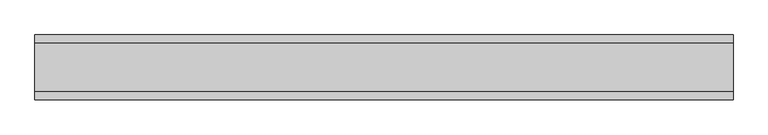
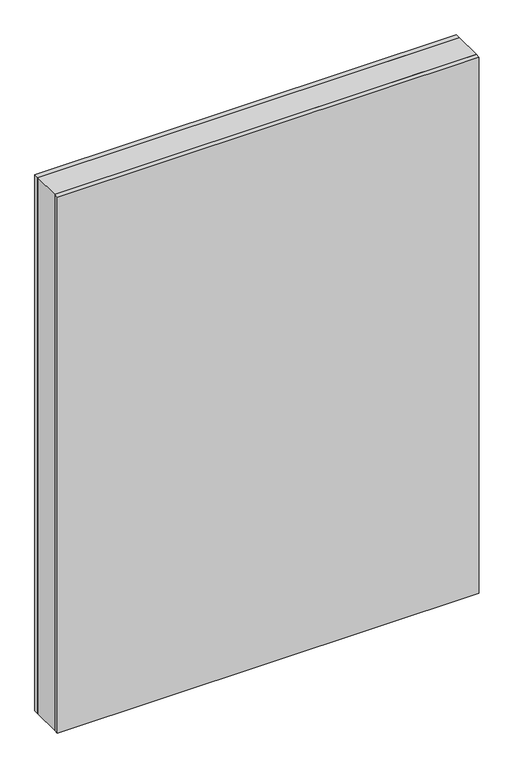
"""IFC4 building model written with IfcOpenShell, lengths in millimetres: plate geometry."""

from ifc_helpers import new_model, si_unit, origin, origin_with_axes, place, context, project, spatial, polyline, outline, extrude, source, transform, mapped, element, save


def plate_14df75e4(model_context):
    return source(origin(), model_context, "Body", "SweptSolid", [
        extrude(outline(polyline([(539.9374999, 37.0), (539.9374999, -37.0), (-539.9374999, -37.0), (-539.9374999, 37.0), (539.9374999, 37.0)])), origin_with_axes(), (0.0, 0.0, 1.0), 1450.25),
        extrude(outline(polyline([(539.9374999, 50.0), (539.9374999, 37.0), (-539.9374999, 37.0), (-539.9374999, 50.0), (539.9374999, 50.0)])), origin_with_axes(), (0.0, 0.0, 1.0), 1450.25),
        extrude(outline(polyline([(-539.9374999, -50.0), (-539.9374999, -37.0), (539.9374999, -37.0), (539.9374999, -50.0), (-539.9374999, -50.0)])), origin_with_axes(), (0.0, 0.0, 1.0), 1450.25),
    ])


if __name__ == "__main__":
    model = new_model("IFC4")
    model_context = context("Model", 3, world=origin())
    ifc_project = project(units=[si_unit("LENGTHUNIT", "METRE", prefix="MILLI")], contexts=[model_context])
    site = spatial("IfcSite", under=ifc_project)
    building = spatial("IfcBuilding", under=site)
    placement = place(None, origin())
    plate_shape = plate_14df75e4(model_context)
    element("IfcPlate", 1, at=placement, inside=building, context=model_context, shape_type="MappedRepresentation", body=[
        mapped(plate_shape, transform((0.0, 0.0, 0.0), x_axis=(1.0, 0.0, 0.0), y_axis=(0.0, 1.0, 0.0), z_axis=(0.0, 0.0, 1.0))),
    ])
    save(model, "model.ifc")
